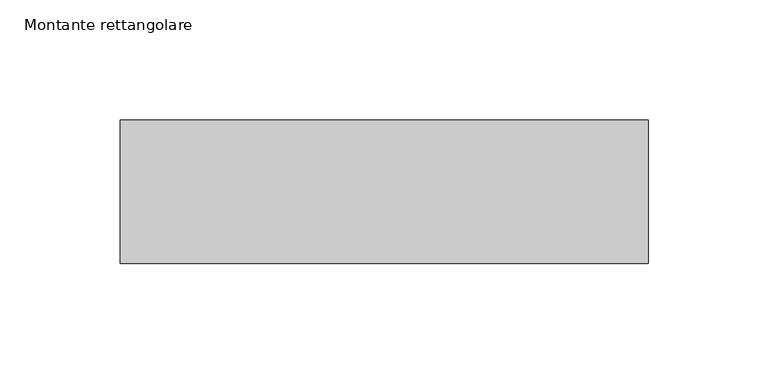
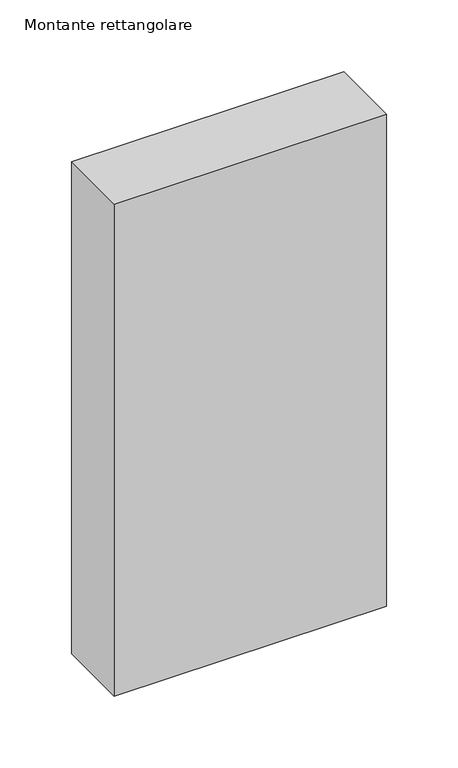
"""IFC4 building model written with IfcOpenShell, lengths in millimetres: member geometry, Montante rettangolare."""

from ifc_helpers import new_model, si_unit, frame, origin, place, context, project, spatial, polyline, outline, extrude, source, transform, mapped, element, save


def montante_rettangolare_b4d480fd(model_context):
    return source(origin(), model_context, "Body", "SweptSolid", [
        extrude(outline(polyline([(110.0, 30.0), (110.0, -30.0), (-110.0, -30.0), (-110.0, 30.0), (110.0, 30.0)])), frame((0.0, 0.0, -420.0), z_axis=(0.0, 0.0, 1.0), x_axis=(1.0, 0.0, 0.0)), (0.0, 0.0, 1.0), 420.0),
    ])


if __name__ == "__main__":
    model = new_model("IFC4")
    model_context = context("Model", 3, world=origin())
    ifc_project = project(units=[si_unit("LENGTHUNIT", "METRE", prefix="MILLI")], contexts=[model_context])
    site = spatial("IfcSite", under=ifc_project)
    building = spatial("IfcBuilding", under=site)
    placement = place(None, origin())
    montante_rettangolare_shape = montante_rettangolare_b4d480fd(model_context)
    element("IfcMember", 1, ObjectType="Montante rettangolare", at=placement, inside=building, context=model_context, shape_type="MappedRepresentation", body=[
        mapped(montante_rettangolare_shape, transform((0.0, 0.0, 0.0), x_axis=(1.0, 0.0, 0.0), y_axis=(0.0, 1.0, 0.0), z_axis=(0.0, 0.0, 1.0))),
    ])
    save(model, "model.ifc")
